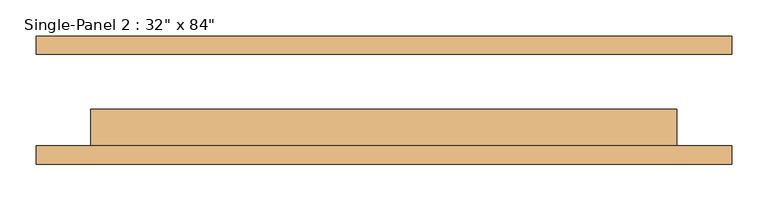
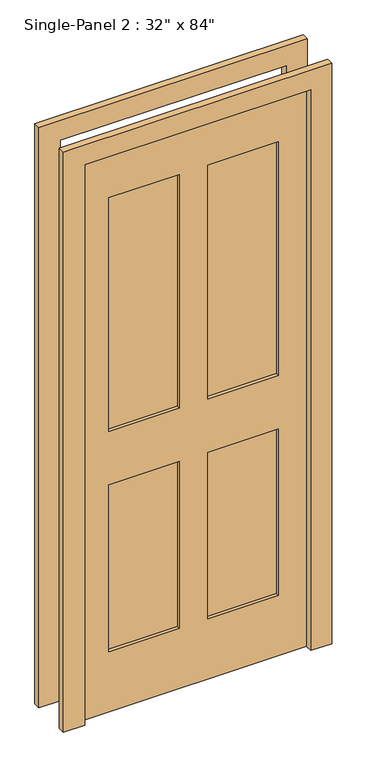
"""IFC4 building model written with IfcOpenShell, lengths in millimetres: door geometry."""

import ifcopenshell
import ifcopenshell.guid

model = None  # the IFC model being written
_history = None  # IfcOwnerHistory: only IFC2X3 demands one
_inside = {}  # id of a spatial element -> (the spatial element, [elements in it])
_under = {}  # id of a project, library or spatial element -> (it, [spatial elements below it])
_declared = {}  # id of a project -> (the project, [libraries it declares])
_typed = {}  # id of a type object -> (the type object, [elements of that type])
_made_of = {}  # id of a material, layer set ... -> (it, [elements and type objects made of it])


def new_model(schema):
    """Start an empty IFC model of exactly this schema.

    Asked for "IFC4X3", IfcOpenShell would pick the latest addendum, in which some entities
    have other attributes; the version numbers below select the first issue.
    IFC2X3 requires an IfcOwnerHistory on every rooted entity: one is made here for all.
    """
    global model, _history
    if schema == "IFC4X3":
        model = ifcopenshell.file(schema_version=(4, 3, 0, 0))
    else:
        model = ifcopenshell.file(schema=schema)
    _inside.clear()
    _under.clear()
    _declared.clear()
    _typed.clear()
    _made_of.clear()
    _history = None
    if model.schema == "IFC2X3":
        org = make("IfcOrganization", Name="unknown")
        user = make(
            "IfcPersonAndOrganization",
            ThePerson=make("IfcPerson", FamilyName="unknown"),
            TheOrganization=org,
        )
        app = make(
            "IfcApplication",
            ApplicationDeveloper=org,
            Version="unknown",
            ApplicationFullName="unknown",
            ApplicationIdentifier="unknown",
        )
        _history = make(
            "IfcOwnerHistory",
            OwningUser=user,
            OwningApplication=app,
            ChangeAction="ADDED",
            CreationDate=0,
        )
    return model


def make(cls, **values):
    """One entity of the class cls with the attributes given. An attribute that is None is left unset."""
    return model.create_entity(
        cls, **{name: value for name, value in values.items() if value is not None}
    )


def rooted(cls, **values):
    """An entity with a GlobalId (a new one), such as an element, a storey or a relation."""
    return make(cls, GlobalId=ifcopenshell.guid.new(), OwnerHistory=_history, **values)


def si_unit(unit_type, name, prefix=None):
    """IfcSIUnit, for example si_unit("LENGTHUNIT", "METRE", prefix="MILLI")."""
    return make("IfcSIUnit", UnitType=unit_type, Prefix=prefix, Name=name)


def assignment(units):
    """IfcUnitAssignment: the units of a project."""
    return None if units is None else make("IfcUnitAssignment", Units=units)


def point(xyz):
    """IfcCartesianPoint."""
    return None if xyz is None else make("IfcCartesianPoint", Coordinates=xyz)


def direction(xyz):
    """IfcDirection."""
    return None if xyz is None else make("IfcDirection", DirectionRatios=xyz)


def frame(location, z_axis=None, x_axis=None):
    """IfcAxis2Placement3D, a coordinate frame: its origin and axes. An axis left out is left unset."""
    return make(
        "IfcAxis2Placement3D",
        Location=point(location),
        Axis=direction(z_axis),
        RefDirection=direction(x_axis),
    )


def origin():
    """The frame at (0, 0, 0) with its axes left unset."""
    return frame((0.0, 0.0, 0.0))


def place(relative_to, where):
    """IfcLocalPlacement: puts the frame where relative to a parent placement (None: the world)."""
    return make(
        "IfcLocalPlacement", PlacementRelTo=relative_to, RelativePlacement=where
    )


def context(
    kind, dimensions, precision=None, world=None, true_north=None, identifier=None
):
    """IfcGeometricRepresentationContext, for example the 3D "Model" context."""
    return make(
        "IfcGeometricRepresentationContext",
        ContextIdentifier=identifier,
        ContextType=kind,
        CoordinateSpaceDimension=dimensions,
        Precision=precision,
        WorldCoordinateSystem=world,
        TrueNorth=true_north,
    )


def project(units=None, contexts=None):
    """IfcProject with its units and contexts."""
    return rooted(
        "IfcProject",
        Name="project",
        RepresentationContexts=contexts,
        UnitsInContext=assignment(units),
    )


def spatial(cls, under=None, at=None, **own):
    """A site, building, storey or space (cls), placed at a placement, below another one or the project."""
    s = rooted(cls, ObjectPlacement=at, **own)
    if under is not None:
        _under.setdefault(under.id(), (under, []))[1].append(s)
    return s


def polyline(points):
    """IfcPolyline through the points."""
    return make("IfcPolyline", Points=[point(p) for p in points])


def outline(outer, holes=None, kind="AREA"):
    """IfcArbitraryClosedProfileDef: a profile drawn as a closed curve; with holes, ...WithVoids."""
    if holes is None:
        return make("IfcArbitraryClosedProfileDef", ProfileType=kind, OuterCurve=outer)
    return make(
        "IfcArbitraryProfileDefWithVoids",
        ProfileType=kind,
        OuterCurve=outer,
        InnerCurves=holes,
    )


def extrude(swept, where, along, depth):
    """IfcExtrudedAreaSolid: the profile swept, set in the frame where, extruded along a direction by depth."""
    return make(
        "IfcExtrudedAreaSolid",
        SweptArea=swept,
        Position=where,
        ExtrudedDirection=direction(along),
        Depth=depth,
    )


def shape(context_of_items, identifier, shape_type, items):
    """IfcShapeRepresentation: the items that make up one representation, for example the "Body"."""
    return make(
        "IfcShapeRepresentation",
        ContextOfItems=context_of_items,
        RepresentationIdentifier=identifier,
        RepresentationType=shape_type,
        Items=items,
    )


def source(mapping_origin, context_of_items, identifier, shape_type, items):
    """IfcRepresentationMap: a shape defined once, which mapped items show again and again."""
    return make(
        "IfcRepresentationMap",
        MappingOrigin=mapping_origin,
        MappedRepresentation=shape(context_of_items, identifier, shape_type, items),
    )


def transform(
    local_origin,
    x_axis=None,
    y_axis=None,
    z_axis=None,
    scale=None,
    scale2=None,
    scale3=None,
    uniform=True,
):
    """IfcCartesianTransformationOperator3D, or its non-uniform kind. x_axis, y_axis, z_axis: its Axis1, 2, 3."""
    if uniform:
        return make(
            "IfcCartesianTransformationOperator3D",
            Axis1=direction(x_axis),
            Axis2=direction(y_axis),
            LocalOrigin=point(local_origin),
            Scale=scale,
            Axis3=direction(z_axis),
        )
    return make(
        "IfcCartesianTransformationOperator3DnonUniform",
        Axis1=direction(x_axis),
        Axis2=direction(y_axis),
        LocalOrigin=point(local_origin),
        Scale=scale,
        Axis3=direction(z_axis),
        Scale2=scale2,
        Scale3=scale3,
    )


def mapped(mapping_source, mapping_target):
    """IfcMappedItem: shows the shape of a source again, moved by a transform."""
    return make(
        "IfcMappedItem", MappingSource=mapping_source, MappingTarget=mapping_target
    )


def made_of(thing, what):
    """Note that an element or type object is made of a material, layer set ...; save() writes the relation."""
    if what is not None:
        _made_of.setdefault(what.id(), (what, []))[1].append(thing)
    return thing


def element(
    cls,
    number,
    at=None,
    inside=None,
    cuts=None,
    type_object=None,
    material=None,
    context=None,
    identifier="Body",
    shape_type=None,
    held_by="IfcProductDefinitionShape",
    body=None,
    shapes=None,
    **own,
):
    """One element of the class cls, such as IfcWall. Its Tag is "e" and its number.

    at: its placement. inside: the storey or other place that contains it. cuts: it is an
    opening in that element (IfcRelVoidsElement). A single representation is given by context,
    identifier, shape_type and body (its items); several are given by shapes. held_by: the class
    of the entity that holds the representations. save() writes the other relations.
    """
    e = rooted(cls, Tag="e%d" % number, ObjectPlacement=at, **own)
    if body is not None:
        shapes = [shape(context, identifier, shape_type, body)]
    if shapes is not None:
        e.Representation = make(held_by, Representations=shapes)
    if inside is not None:
        _inside.setdefault(inside.id(), (inside, []))[1].append(e)
    if cuts is not None:
        rooted(
            "IfcRelVoidsElement", RelatingBuildingElement=cuts, RelatedOpeningElement=e
        )
    if type_object is not None:
        _typed.setdefault(type_object.id(), (type_object, []))[1].append(e)
    return made_of(e, material)


def aggregate(whole, parts):
    """IfcRelAggregates: a whole, such as a stair, and the parts it consists of."""
    return rooted("IfcRelAggregates", RelatingObject=whole, RelatedObjects=parts)


def save(model, path):
    """Write the relations noted so far, then the file.

    IfcRelAggregates (storeys below a building ...), IfcRelContainedInSpatialStructure (elements
    in a storey), IfcRelDefinesByType, IfcRelAssociatesMaterial and IfcRelDeclares: one each for
    every whole, place, type object, material and project.
    """
    for whole, parts in _under.values():
        aggregate(whole, parts)
    for where, things in _inside.values():
        rooted(
            "IfcRelContainedInSpatialStructure",
            RelatedElements=things,
            RelatingStructure=where,
        )
    for kind, things in _typed.values():
        rooted("IfcRelDefinesByType", RelatedObjects=things, RelatingType=kind)
    for what, things in _made_of.values():
        rooted("IfcRelAssociatesMaterial", RelatedObjects=things, RelatingMaterial=what)
    for by, libraries in _declared.values():
        rooted("IfcRelDeclares", RelatingContext=by, RelatedDefinitions=libraries)
    model.write(path)


def door_80722314(model_context):
    return source(origin(), model_context, "Body", "SweptSolid", [
        extrude(outline(polyline([(-50.9240165, -25.4), (-50.9240165, -50.8), (-304.2511799, -50.8), (-304.2511799, -25.4), (-50.9240165, -25.4)])), frame((0.0, 0.0, 1068.1906173), z_axis=(0.0, 0.0, 1.0), x_axis=(1.0, 0.0, 0.0)), (0.0, 0.0, 1.0), 889.2046757),
        extrude(outline(polyline([(305.3488201, -25.4), (305.3488201, -50.8), (50.6759835, -50.8), (50.6759835, -25.4), (305.3488201, -25.4)])), frame((0.0, 0.0, 1068.1906173), z_axis=(0.0, 0.0, 1.0), x_axis=(1.0, 0.0, 0.0)), (0.0, 0.0, 1.0), 889.2046757),
        extrude(outline(polyline([(-50.9240165, -25.4), (-50.9240165, -50.8), (-304.2511799, -50.8), (-304.2511799, -25.4), (-50.9240165, -25.4)])), frame((0.0, 0.0, 230.195293), z_axis=(0.0, 0.0, 1.0), x_axis=(1.0, 0.0, 0.0)), (0.0, 0.0, 1.0), 635.0),
        extrude(outline(polyline([(305.3488201, -25.4), (305.3488201, -50.8), (50.6759835, -50.8), (50.6759835, -25.4), (305.3488201, -25.4)])), frame((0.0, 0.0, 230.195293), z_axis=(0.0, 0.0, 1.0), x_axis=(1.0, 0.0, 0.0)), (0.0, 0.0, 1.0), 634.7953243),
        extrude(outline(polyline([(2209.8, -482.6), (1.3906173, -482.6), (1.3906173, -406.5240165), (2134.9906173, -406.5240165), (2134.9906173, 406.2759835), (1.3906173, 406.2759835), (0.0, 482.6), (2209.8, 482.6), (2209.8, -482.6)])), frame((0.0, -88.9, 0.0), z_axis=(0.0, 1.0, 0.0), x_axis=(0.0, 0.0, 1.0)), (0.0, 0.0, 1.0), 25.4),
        extrude(outline(polyline([(2209.8, 482.6), (2209.8, -482.6), (1.3906173, -482.6), (1.3906173, -406.5240165), (2134.9906173, -406.5240165), (2134.9906173, 406.2759835), (1.3906173, 406.2759835), (0.0, 482.6), (2209.8, 482.6)])), frame((0.0, 63.5, 0.0), z_axis=(0.0, 1.0, 0.0), x_axis=(0.0, 0.0, 1.0)), (0.0, 0.0, 1.0), 25.4),
        extrude(outline(polyline([(2134.9906173, 406.2759835), (2134.9906173, -406.5240165), (1.3906173, -406.5240165), (1.3906173, 406.2759835), (2134.9906173, 406.2759835)]), holes=[polyline([(1957.395293, -50.9240165), (1068.1906173, -50.9240165), (1068.1906173, -304.2511799), (1957.395293, -304.2511799), (1957.395293, -50.9240165)]), polyline([(1957.395293, 305.3488201), (1068.1906173, 305.3488201), (1068.1906173, 50.6759835), (1957.395293, 50.6759835), (1957.395293, 305.3488201)]), polyline([(865.195293, -50.9240165), (230.195293, -50.9240165), (230.195293, -304.2511799), (865.195293, -304.2511799), (865.195293, -50.9240165)]), polyline([(864.9906173, 305.3488201), (230.195293, 305.3488201), (230.195293, 50.6759835), (864.9906173, 50.6759835), (864.9906173, 305.3488201)])]), frame((0.0, -63.5, 0.0), z_axis=(0.0, 1.0, 0.0), x_axis=(0.0, 0.0, 1.0)), (0.0, 0.0, 1.0), 50.8),
    ])


if __name__ == "__main__":
    model = new_model("IFC4")
    model_context = context("Model", 3, world=origin())
    ifc_project = project(units=[si_unit("LENGTHUNIT", "METRE", prefix="MILLI")], contexts=[model_context])
    site = spatial("IfcSite", under=ifc_project)
    building = spatial("IfcBuilding", under=site)
    placement = place(None, origin())
    door_shape = door_80722314(model_context)
    element("IfcDoor", 1, ObjectType="Single-Panel 2 : 32\" x 84\"", at=placement, inside=building, context=model_context, shape_type="MappedRepresentation", body=[
        mapped(door_shape, transform((0.0, 0.0, 0.0), x_axis=(1.0, 0.0, 0.0), y_axis=(0.0, 1.0, 0.0), z_axis=(0.0, 0.0, 1.0))),
    ])
    save(model, "model.ifc")
